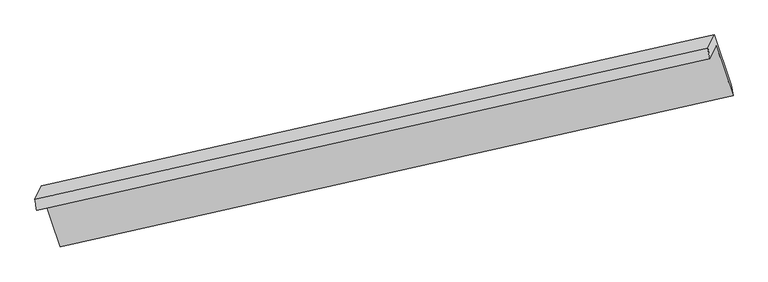
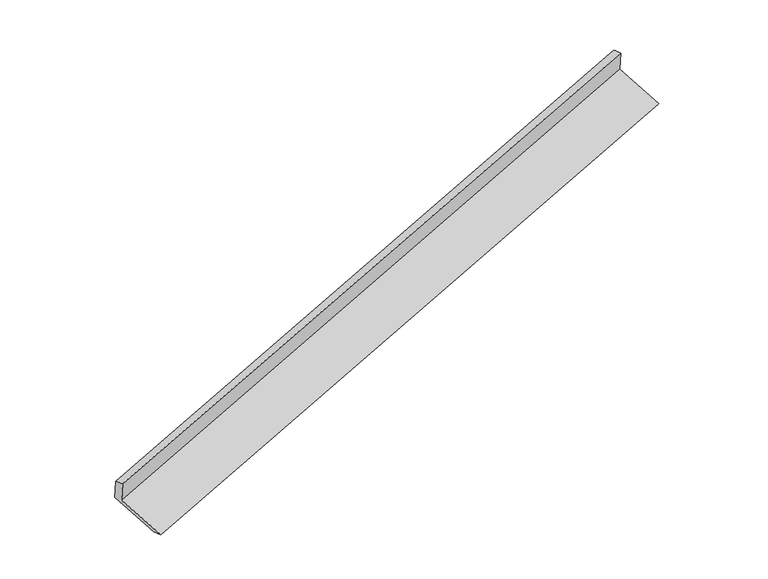
"""IFC4 building model written with IfcOpenShell, lengths in millimetres: proxy geometry."""

from ifc_helpers import new_model, si_unit, frame, origin, place, context, project, spatial, source, transform, mapped, element, save
from ifc_brep_helpers import plane_surface, spline_surface, advanced_brep


def generic_models_3986f041(model_context):
    return source(origin(), model_context, "Body", "AdvancedBrep", [
        advanced_brep(
        [(-7429.6416966, -2475.1306785, 917.0191869), (-7343.0701213, -2298.1858769, 510.6218231), (1549.72509, -297.2178123, 3270.6448317), (1465.0704158, -470.2446342, 3668.0435888), (-7450.8012654, -2331.5559876, 880.7298477), (1441.993946, -330.5879231, 3640.7528564), (-7364.3811232, -2154.9207021, 475.0433641), (1528.4140882, -153.9526376, 3235.0663727), (-7139.584923, -2817.6307278, 234.3869484), (1753.2102884, -816.6626633, 2994.4099571), (-7117.9805362, -2961.7608156, 269.651323), (1774.8146752, -960.7927511, 3029.6743317)],
        [
            (0, 1),
            (1, 2),
            (2, 3),
            (3, 0),
            (4, 0),
            (3, 5),
            (5, 4),
            (6, 4),
            (5, 7),
            (7, 6),
            (8, 6),
            (7, 9),
            (9, 8),
            (10, 8),
            (9, 11),
            (11, 10),
            (1, 10),
            (11, 2),
        ],
        [
            plane_surface(frame((-7386.355909, -2386.6582777, 713.820505), z_axis=(0.30260548928967174, -0.8957891700736264, -0.32556363530124516), x_axis=(0.1916901124228968, 0.39179798695199686, -0.8998606771159967))),
            spline_surface(1, 1, [[(-7450.8012654, -2331.5559876, 880.7298477), (1441.993946, -330.5879231, 3640.7528564)], [(-7429.6416966, -2475.1306785, 917.0191869), (1465.0704158, -470.2446342, 3668.0435888)]], [2, 2], [2, 2], [0.0, 1.0], [0.0, 1.0]),
            plane_surface(frame((-7407.5911943, -2243.2383449, 677.8866059), z_axis=(-0.3026054892896737, 0.8957891700736256, 0.3255636353012459), x_axis=(-0.19169011242291834, -0.391797986952003, 0.8998606771159895))),
            plane_surface(frame((-7251.9830231, -2486.275715, 354.7151562), z_axis=(0.19120012400405045, 0.39168715173772384, -0.9000131597618033), x_axis=(-0.30376937948835864, 0.8955267620899109, 0.32520144905276466))),
            plane_surface(frame((-7128.7827296, -2889.6957717, 252.0191357), z_axis=(0.3279729661764731, -0.1778427824057494, -0.9277961404336554), x_axis=(-0.14408109871474864, 0.9612131832010051, -0.23518046992414535))),
            plane_surface(frame((-7230.5253288, -2629.9733463, 390.136573), z_axis=(-0.1912001240040534, -0.39168715173771684, 0.9000131597618058), x_axis=(0.303769379488344, -0.895526762089917, -0.32520144905276155))),
            plane_surface(frame((1585.5380839, -504.9097369, 3306.4319897), z_axis=(0.9332625916024644, 0.21101221718447793, 0.29067985708394506), x_axis=(-0.30376937948835864, 0.8955267620899109, 0.32520144905276466))),
            plane_surface(frame((-7307.5766109, -2506.5307981, 547.9087489), z_axis=(-0.9332625916025239, -0.21101221718432928, -0.2906798570838622), x_axis=(-0.1916901124228897, -0.39179798695200546, 0.8998606771159945))),
        ],
        [
            (0, [[1, 2, 3, 4]]),
            (1, [[5, -4, 6, 7]]),
            (2, [[8, -7, 9, 10]]),
            (3, [[11, -10, 12, 13]]),
            (4, [[14, -13, 15, 16]]),
            (5, [[17, -16, 18, -2]]),
            (6, [[-12, -9, -6, -3, -18, -15]]),
            (7, [[-1, -5, -8, -11, -14, -17]]),
        ],
    ),
    ])


if __name__ == "__main__":
    model = new_model("IFC4")
    model_context = context("Model", 3, world=origin())
    ifc_project = project(units=[si_unit("LENGTHUNIT", "METRE", prefix="MILLI")], contexts=[model_context])
    site = spatial("IfcSite", under=ifc_project)
    building = spatial("IfcBuilding", under=site)
    placement = place(None, origin())
    generic_models_shape = generic_models_3986f041(model_context)
    element("IfcBuildingElementProxy", 1, Name="Generic Models", at=placement, inside=building, context=model_context, shape_type="MappedRepresentation", body=[
        mapped(generic_models_shape, transform((0.0, 0.0, 0.0), x_axis=(1.0, 0.0, 0.0), y_axis=(0.0, 1.0, 0.0), z_axis=(0.0, 0.0, 1.0))),
    ])
    save(model, "model.ifc")
